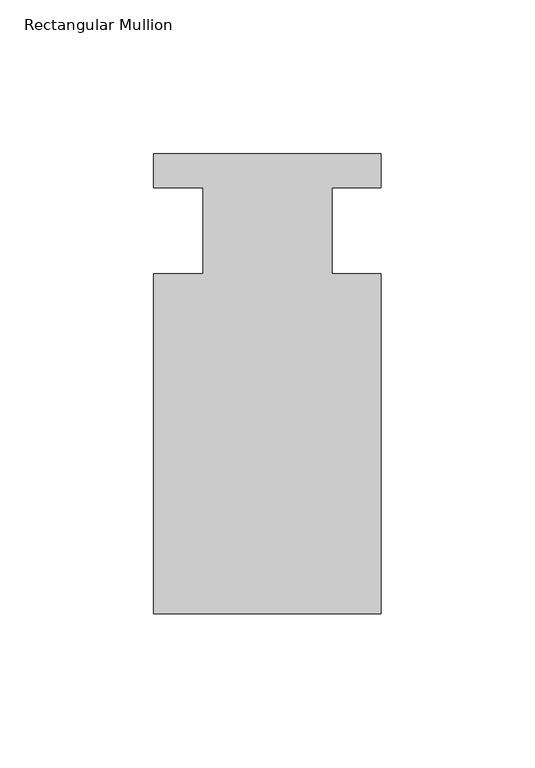
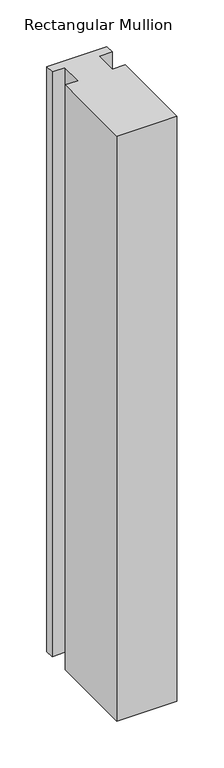
"""IFC4 building model written with IfcOpenShell, lengths in millimetres: member geometry, Rectangular Mullion."""

from ifc_helpers import new_model, si_unit, frame, origin, place, context, project, spatial, polyline, outline, extrude, source, transform, mapped, element, save


def rectangular_mullion_2a853f2c(model_context):
    return source(origin(), model_context, "Body", "SweptSolid", [
        extrude(outline(polyline([(-20.9800745, -13.9998907), (-20.9800745, 14.0), (-37.0, 14.0), (-37.0, 25.0), (36.9800745, 25.0), (36.9800745, 14.0), (20.9800745, 14.0), (20.9800745, -13.9998907), (37.0, -13.9998907), (37.0, -124.5), (-37.0, -124.5), (-37.0, -13.9998907), (-20.9800745, -13.9998907)])), frame((0.0, 0.0, -762.0000086), z_axis=(0.0, 0.0, 1.0), x_axis=(1.0, 0.0, 0.0)), (0.0, 0.0, 1.0), 762.0000086),
    ])


if __name__ == "__main__":
    model = new_model("IFC4")
    model_context = context("Model", 3, world=origin())
    ifc_project = project(units=[si_unit("LENGTHUNIT", "METRE", prefix="MILLI")], contexts=[model_context])
    site = spatial("IfcSite", under=ifc_project)
    building = spatial("IfcBuilding", under=site)
    placement = place(None, origin())
    rectangular_mullion_shape = rectangular_mullion_2a853f2c(model_context)
    element("IfcMember", 1, ObjectType="Rectangular Mullion", at=placement, inside=building, context=model_context, shape_type="MappedRepresentation", body=[
        mapped(rectangular_mullion_shape, transform((0.0, 0.0, 0.0), x_axis=(1.0, 0.0, 0.0), y_axis=(0.0, 1.0, 0.0), z_axis=(0.0, 0.0, 1.0))),
    ])
    save(model, "model.ifc")
